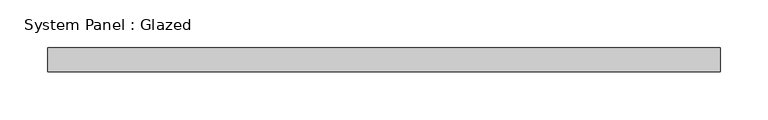
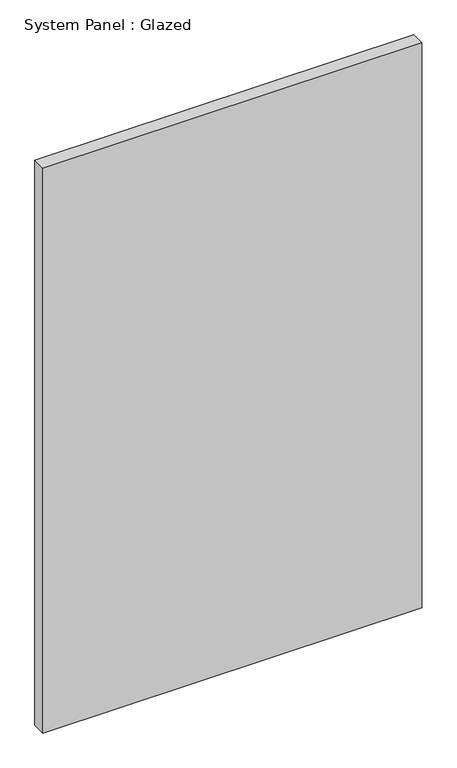
"""IFC4 building model written with IfcOpenShell, lengths in millimetres: plate geometry, System Panel : Glazed."""

from ifc_helpers import new_model, si_unit, origin, origin_with_axes, place, context, project, spatial, polyline, outline, extrude, source, transform, mapped, element, save


def system_panel_glazed_acb07b55(model_context):
    return source(origin(), model_context, "Body", "SweptSolid", [
        extrude(outline(polyline([(352.425, -12.7), (-352.425, -12.7), (-352.425, 12.7), (352.425, 12.7), (352.425, -12.7)])), origin_with_axes(), (0.0, 0.0, 1.0), 1111.25),
    ])


if __name__ == "__main__":
    model = new_model("IFC4")
    model_context = context("Model", 3, world=origin())
    ifc_project = project(units=[si_unit("LENGTHUNIT", "METRE", prefix="MILLI")], contexts=[model_context])
    site = spatial("IfcSite", under=ifc_project)
    building = spatial("IfcBuilding", under=site)
    placement = place(None, origin())
    system_panel_glazed_shape = system_panel_glazed_acb07b55(model_context)
    element("IfcPlate", 1, ObjectType="System Panel : Glazed", at=placement, inside=building, context=model_context, shape_type="MappedRepresentation", body=[
        mapped(system_panel_glazed_shape, transform((0.0, 0.0, 0.0), x_axis=(1.0, 0.0, 0.0), y_axis=(0.0, 1.0, 0.0), z_axis=(0.0, 0.0, 1.0))),
    ])
    save(model, "model.ifc")
